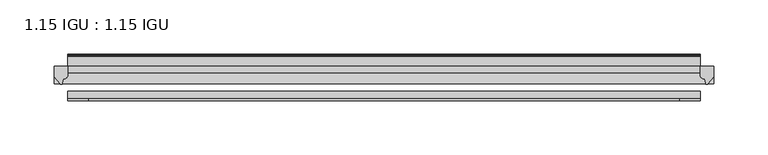
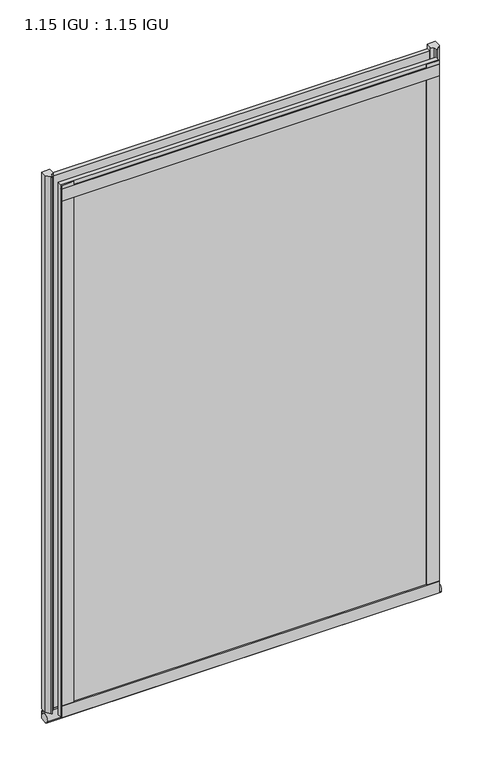
"""IFC4 building model written with IfcOpenShell, lengths in millimetres: plate geometry, 1.15 IGU : 1.15 IGU."""

import ifcopenshell
import ifcopenshell.guid

model = None  # the IFC model being written
_history = None  # IfcOwnerHistory: only IFC2X3 demands one
_inside = {}  # id of a spatial element -> (the spatial element, [elements in it])
_under = {}  # id of a project, library or spatial element -> (it, [spatial elements below it])
_declared = {}  # id of a project -> (the project, [libraries it declares])
_typed = {}  # id of a type object -> (the type object, [elements of that type])
_made_of = {}  # id of a material, layer set ... -> (it, [elements and type objects made of it])


def new_model(schema):
    """Start an empty IFC model of exactly this schema.

    Asked for "IFC4X3", IfcOpenShell would pick the latest addendum, in which some entities
    have other attributes; the version numbers below select the first issue.
    IFC2X3 requires an IfcOwnerHistory on every rooted entity: one is made here for all.
    """
    global model, _history
    if schema == "IFC4X3":
        model = ifcopenshell.file(schema_version=(4, 3, 0, 0))
    else:
        model = ifcopenshell.file(schema=schema)
    _inside.clear()
    _under.clear()
    _declared.clear()
    _typed.clear()
    _made_of.clear()
    _history = None
    if model.schema == "IFC2X3":
        org = make("IfcOrganization", Name="unknown")
        user = make(
            "IfcPersonAndOrganization",
            ThePerson=make("IfcPerson", FamilyName="unknown"),
            TheOrganization=org,
        )
        app = make(
            "IfcApplication",
            ApplicationDeveloper=org,
            Version="unknown",
            ApplicationFullName="unknown",
            ApplicationIdentifier="unknown",
        )
        _history = make(
            "IfcOwnerHistory",
            OwningUser=user,
            OwningApplication=app,
            ChangeAction="ADDED",
            CreationDate=0,
        )
    return model


def make(cls, **values):
    """One entity of the class cls with the attributes given. An attribute that is None is left unset."""
    return model.create_entity(
        cls, **{name: value for name, value in values.items() if value is not None}
    )


def rooted(cls, **values):
    """An entity with a GlobalId (a new one), such as an element, a storey or a relation."""
    return make(cls, GlobalId=ifcopenshell.guid.new(), OwnerHistory=_history, **values)


def si_unit(unit_type, name, prefix=None):
    """IfcSIUnit, for example si_unit("LENGTHUNIT", "METRE", prefix="MILLI")."""
    return make("IfcSIUnit", UnitType=unit_type, Prefix=prefix, Name=name)


def assignment(units):
    """IfcUnitAssignment: the units of a project."""
    return None if units is None else make("IfcUnitAssignment", Units=units)


def point(xyz):
    """IfcCartesianPoint."""
    return None if xyz is None else make("IfcCartesianPoint", Coordinates=xyz)


def direction(xyz):
    """IfcDirection."""
    return None if xyz is None else make("IfcDirection", DirectionRatios=xyz)


def frame(location, z_axis=None, x_axis=None):
    """IfcAxis2Placement3D, a coordinate frame: its origin and axes. An axis left out is left unset."""
    return make(
        "IfcAxis2Placement3D",
        Location=point(location),
        Axis=direction(z_axis),
        RefDirection=direction(x_axis),
    )


def frame_2d(location, x_axis=None):
    """IfcAxis2Placement2D, a coordinate frame in the plane: its origin and x axis."""
    return make(
        "IfcAxis2Placement2D", Location=point(location), RefDirection=direction(x_axis)
    )


def origin():
    """The frame at (0, 0, 0) with its axes left unset."""
    return frame((0.0, 0.0, 0.0))


def place(relative_to, where):
    """IfcLocalPlacement: puts the frame where relative to a parent placement (None: the world)."""
    return make(
        "IfcLocalPlacement", PlacementRelTo=relative_to, RelativePlacement=where
    )


def context(
    kind, dimensions, precision=None, world=None, true_north=None, identifier=None
):
    """IfcGeometricRepresentationContext, for example the 3D "Model" context."""
    return make(
        "IfcGeometricRepresentationContext",
        ContextIdentifier=identifier,
        ContextType=kind,
        CoordinateSpaceDimension=dimensions,
        Precision=precision,
        WorldCoordinateSystem=world,
        TrueNorth=true_north,
    )


def project(units=None, contexts=None):
    """IfcProject with its units and contexts."""
    return rooted(
        "IfcProject",
        Name="project",
        RepresentationContexts=contexts,
        UnitsInContext=assignment(units),
    )


def spatial(cls, under=None, at=None, **own):
    """A site, building, storey or space (cls), placed at a placement, below another one or the project."""
    s = rooted(cls, ObjectPlacement=at, **own)
    if under is not None:
        _under.setdefault(under.id(), (under, []))[1].append(s)
    return s


def polyline(points):
    """IfcPolyline through the points."""
    return make("IfcPolyline", Points=[point(p) for p in points])


def circle_curve(where, radius):
    """IfcCircle in the frame where."""
    return make("IfcCircle", Position=where, Radius=radius)


def ellipse_curve(where, semi_axis1, semi_axis2):
    """IfcEllipse in the frame where."""
    return make(
        "IfcEllipse", Position=where, SemiAxis1=semi_axis1, SemiAxis2=semi_axis2
    )


def trimmed(basis, trim1, trim2, sense, master):
    """IfcTrimmedCurve: the piece of a basis curve between two trims."""
    return make(
        "IfcTrimmedCurve",
        BasisCurve=basis,
        Trim1=trim1,
        Trim2=trim2,
        SenseAgreement=sense,
        MasterRepresentation=master,
    )


def segment(curve, same_sense, transition):
    """IfcCompositeCurveSegment."""
    return make(
        "IfcCompositeCurveSegment",
        Transition=transition,
        SameSense=same_sense,
        ParentCurve=curve,
    )


def composite_curve(segments, self_intersect=None):
    """IfcCompositeCurve: segments joined end to end."""
    return make("IfcCompositeCurve", Segments=segments, SelfIntersect=self_intersect)


def outline(outer, holes=None, kind="AREA"):
    """IfcArbitraryClosedProfileDef: a profile drawn as a closed curve; with holes, ...WithVoids."""
    if holes is None:
        return make("IfcArbitraryClosedProfileDef", ProfileType=kind, OuterCurve=outer)
    return make(
        "IfcArbitraryProfileDefWithVoids",
        ProfileType=kind,
        OuterCurve=outer,
        InnerCurves=holes,
    )


def extrude(swept, where, along, depth):
    """IfcExtrudedAreaSolid: the profile swept, set in the frame where, extruded along a direction by depth."""
    return make(
        "IfcExtrudedAreaSolid",
        SweptArea=swept,
        Position=where,
        ExtrudedDirection=direction(along),
        Depth=depth,
    )


def shape(context_of_items, identifier, shape_type, items):
    """IfcShapeRepresentation: the items that make up one representation, for example the "Body"."""
    return make(
        "IfcShapeRepresentation",
        ContextOfItems=context_of_items,
        RepresentationIdentifier=identifier,
        RepresentationType=shape_type,
        Items=items,
    )


def source(mapping_origin, context_of_items, identifier, shape_type, items):
    """IfcRepresentationMap: a shape defined once, which mapped items show again and again."""
    return make(
        "IfcRepresentationMap",
        MappingOrigin=mapping_origin,
        MappedRepresentation=shape(context_of_items, identifier, shape_type, items),
    )


def transform(
    local_origin,
    x_axis=None,
    y_axis=None,
    z_axis=None,
    scale=None,
    scale2=None,
    scale3=None,
    uniform=True,
):
    """IfcCartesianTransformationOperator3D, or its non-uniform kind. x_axis, y_axis, z_axis: its Axis1, 2, 3."""
    if uniform:
        return make(
            "IfcCartesianTransformationOperator3D",
            Axis1=direction(x_axis),
            Axis2=direction(y_axis),
            LocalOrigin=point(local_origin),
            Scale=scale,
            Axis3=direction(z_axis),
        )
    return make(
        "IfcCartesianTransformationOperator3DnonUniform",
        Axis1=direction(x_axis),
        Axis2=direction(y_axis),
        LocalOrigin=point(local_origin),
        Scale=scale,
        Axis3=direction(z_axis),
        Scale2=scale2,
        Scale3=scale3,
    )


def mapped(mapping_source, mapping_target):
    """IfcMappedItem: shows the shape of a source again, moved by a transform."""
    return make(
        "IfcMappedItem", MappingSource=mapping_source, MappingTarget=mapping_target
    )


def made_of(thing, what):
    """Note that an element or type object is made of a material, layer set ...; save() writes the relation."""
    if what is not None:
        _made_of.setdefault(what.id(), (what, []))[1].append(thing)
    return thing


def element(
    cls,
    number,
    at=None,
    inside=None,
    cuts=None,
    type_object=None,
    material=None,
    context=None,
    identifier="Body",
    shape_type=None,
    held_by="IfcProductDefinitionShape",
    body=None,
    shapes=None,
    **own,
):
    """One element of the class cls, such as IfcWall. Its Tag is "e" and its number.

    at: its placement. inside: the storey or other place that contains it. cuts: it is an
    opening in that element (IfcRelVoidsElement). A single representation is given by context,
    identifier, shape_type and body (its items); several are given by shapes. held_by: the class
    of the entity that holds the representations. save() writes the other relations.
    """
    e = rooted(cls, Tag="e%d" % number, ObjectPlacement=at, **own)
    if body is not None:
        shapes = [shape(context, identifier, shape_type, body)]
    if shapes is not None:
        e.Representation = make(held_by, Representations=shapes)
    if inside is not None:
        _inside.setdefault(inside.id(), (inside, []))[1].append(e)
    if cuts is not None:
        rooted(
            "IfcRelVoidsElement", RelatingBuildingElement=cuts, RelatedOpeningElement=e
        )
    if type_object is not None:
        _typed.setdefault(type_object.id(), (type_object, []))[1].append(e)
    return made_of(e, material)


def aggregate(whole, parts):
    """IfcRelAggregates: a whole, such as a stair, and the parts it consists of."""
    return rooted("IfcRelAggregates", RelatingObject=whole, RelatedObjects=parts)


def save(model, path):
    """Write the relations noted so far, then the file.

    IfcRelAggregates (storeys below a building ...), IfcRelContainedInSpatialStructure (elements
    in a storey), IfcRelDefinesByType, IfcRelAssociatesMaterial and IfcRelDeclares: one each for
    every whole, place, type object, material and project.
    """
    for whole, parts in _under.values():
        aggregate(whole, parts)
    for where, things in _inside.values():
        rooted(
            "IfcRelContainedInSpatialStructure",
            RelatedElements=things,
            RelatingStructure=where,
        )
    for kind, things in _typed.values():
        rooted("IfcRelDefinesByType", RelatedObjects=things, RelatingType=kind)
    for what, things in _made_of.values():
        rooted("IfcRelAssociatesMaterial", RelatedObjects=things, RelatingMaterial=what)
    for by, libraries in _declared.values():
        rooted("IfcRelDeclares", RelatingContext=by, RelatedDefinitions=libraries)
    model.write(path)


def plane_surface(at):
    """IfcPlane: the flat surface through the origin of the frame at, square to its z axis."""
    return make("IfcPlane", Position=at)


def revolved_surface(curve, axis_point, axis_direction):
    """IfcSurfaceOfRevolution: the curve turned about the line through axis_point along axis_direction."""
    return make(
        "IfcSurfaceOfRevolution",
        SweptCurve=make("IfcArbitraryOpenProfileDef", ProfileType="CURVE", Curve=curve),
        AxisPosition=make("IfcAxis1Placement", Location=point(axis_point), Axis=direction(axis_direction)),
    )


def extruded_surface(curve, direction_of_extrusion, depth):
    """IfcSurfaceOfLinearExtrusion: the curve pushed along a direction by depth."""
    return make(
        "IfcSurfaceOfLinearExtrusion",
        SweptCurve=make("IfcArbitraryOpenProfileDef", ProfileType="CURVE", Curve=curve),
        ExtrudedDirection=direction(direction_of_extrusion),
        Depth=depth,
    )


def advanced_brep(points, edges, surfaces, faces):
    """IfcAdvancedBrep: a solid bounded by faces that lie on surfaces and meet in shared edges.

    An edge is (start, end): straight between two places in points (the first is 0);
    or (start, end, curve); or (start, end, curve, False) where it runs against its curve.
    A face is (place in surfaces, loops), or (place, loops, False) where it looks against
    its surface's normal. A loop lists edges by number (the first is 1), with a minus sign
    where the edge is run from its end to its start. The first loop is the outer one.
    """
    corners = [point(p) for p in points]
    vertices = [make("IfcVertexPoint", VertexGeometry=c) for c in corners]
    made = []
    for start, end, *more in edges:
        made.append(
            make(
                "IfcEdgeCurve",
                EdgeStart=vertices[start],
                EdgeEnd=vertices[end],
                EdgeGeometry=more[0] if more else make("IfcPolyline", Points=[corners[start], corners[end]]),
                SameSense=more[1] if len(more) > 1 else True,
            )
        )
    hull = []
    for where, loops, *sense in faces:
        bounds = []
        for j, loop in enumerate(loops):
            ring = [make("IfcOrientedEdge", EdgeElement=made[abs(k) - 1], Orientation=k > 0) for k in loop]
            bounds.append(
                make(
                    "IfcFaceOuterBound" if j == 0 else "IfcFaceBound",
                    Bound=make("IfcEdgeLoop", EdgeList=ring),
                    Orientation=True,
                )
            )
        hull.append(make("IfcAdvancedFace", Bounds=bounds, FaceSurface=surfaces[where], SameSense=sense[0] if sense else True))
    return make("IfcAdvancedBrep", Outer=make("IfcClosedShell", CfsFaces=hull))


def plate_1_15_igu_1_15_igu_f6fabfdf(model_context):
    return source(origin(), model_context, "Body", "SolidModel", [
        extrude(outline(polyline([(292.1, 0.0), (292.1, -6.2992), (-292.1, -6.2992), (-292.1, 0.0), (292.1, 0.0)])), frame((0.0, 0.0, -19.05), z_axis=(0.0, 0.0, 1.0), x_axis=(1.0, 0.0, 0.0)), (0.0, 0.0, 1.0), 869.9368072),
        extrude(outline(polyline([(-292.1, -23.1648), (292.1, -23.1648), (292.1, -29.464), (-292.1, -29.464), (-292.1, -23.1648)])), frame((0.0, 0.0, -19.05), z_axis=(0.0, 0.0, 1.0), x_axis=(1.0, 0.0, 0.0)), (0.0, 0.0, 1.0), 869.9368072),
        advanced_brep(
        [(304.8, -2.9334208, -29.3692082), (304.8, -15.7658436, -30.8313288), (304.8, -6.7904952, -34.925), (304.8, 0.0, -34.925), (304.8, 0.0, -22.225), (304.8, -2.5187477, -22.225), (-304.8, -2.9073519, -29.3720514), (-304.8, -2.5187477, -22.225), (-304.8, 0.0, -22.225), (-304.8, 0.0, -34.925), (-304.8, -6.7904952, -34.925), (-304.8, -15.7658436, -30.8313288)],
        [
            (0, 1, ellipse_curve(frame((304.8, -9.5065066, -28.575), z_axis=(1.0, 0.0, 0.0), x_axis=(0.0, 0.0, -1.0)), 6.9638038, 6.6162554)),
            (1, 2, ellipse_curve(frame((304.8, -9.5065066, -28.575), z_axis=(1.0, 0.0, 0.0), x_axis=(0.0, 0.0, -1.0)), 6.9638038, 6.6162554)),
            (2, 3),
            (3, 4, circle_curve(frame((304.8, 24.1576838, -28.575), z_axis=(-1.0, 0.0, 0.0), x_axis=(0.0, 0.0, 1.0)), 24.9783143)),
            (4, 5),
            (5, 0, circle_curve(frame((304.8, -68.4358767, -22.225), z_axis=(-1.0, 0.0, 0.0), x_axis=(0.0, 0.0, 1.0)), 65.917129)),
            (6, 7, circle_curve(frame((-304.8, -68.4358767, -22.225), z_axis=(1.0, 0.0, 0.0), x_axis=(0.0, 0.0, 1.0)), 65.917129)),
            (7, 8),
            (8, 9, circle_curve(frame((-304.8, 24.1576838, -28.575), z_axis=(1.0, 0.0, 0.0), x_axis=(0.0, 0.0, 1.0)), 24.9783143)),
            (9, 10),
            (10, 11, ellipse_curve(frame((-304.8, -9.5065066, -28.575), z_axis=(-1.0, 0.0, 0.0), x_axis=(0.0, 0.0, -1.0)), 6.9638038, 6.6162554)),
            (11, 6, ellipse_curve(frame((-304.8, -9.5065066, -28.575), z_axis=(-1.0, 0.0, 0.0), x_axis=(0.0, 0.0, -1.0)), 6.9638038, 6.6162554)),
            (0, 6),
            (11, 1),
            (10, 2),
            (9, 3),
            (8, 4),
            (7, 5),
        ],
        [
            plane_surface(frame((304.8, 0.0, -28.575), z_axis=(1.0, 0.0, 0.0), x_axis=(0.0, 1.0, 0.0))),
            plane_surface(frame((-304.8, 0.0, -28.575), z_axis=(-1.0, 0.0, 0.0), x_axis=(0.0, 1.0, 0.0))),
            extruded_surface(trimmed(ellipse_curve(frame((-304.8, -9.5065066, -28.575), z_axis=(1.0, 0.0, 0.0), x_axis=(0.0, 0.0, -1.0)), 6.9638038, 6.6162554), [point((-304.8, -2.9334208, -29.3692082))], [point((-304.8, -15.7658436, -30.8313288))], True, "CARTESIAN"), (609.6, 0.0, 0.0), 609.6),
            extruded_surface(trimmed(ellipse_curve(frame((-304.8, -9.5065066, -28.575), z_axis=(1.0, 0.0, 0.0), x_axis=(0.0, 0.0, -1.0)), 6.9638038, 6.6162554), [point((-304.8, -15.7658436, -30.8313288))], [point((-304.8, -6.7904952, -34.925))], True, "CARTESIAN"), (609.6, 0.0, 0.0), 609.6),
            plane_surface(frame((304.8, -6.7904952, -34.925), z_axis=(0.0, 0.0, -1.0), x_axis=(-1.0, 0.0, 0.0))),
            revolved_surface(polyline([(-304.8, 24.1576838, -3.5966856999999983), (304.8, 24.1576838, -3.5966856999999983)]), (304.8, 24.1576838, -28.575), (-1.0, 0.0, 0.0)),
            plane_surface(frame((304.8, 0.0, -22.225), z_axis=(0.0, 0.0, 1.0), x_axis=(-1.0, 0.0, 0.0))),
            revolved_surface(polyline([(-304.8, -68.4358767, 43.692129), (304.8, -68.4358767, 43.692129)]), (304.8, -68.4358767, -22.225), (-1.0, 0.0, 0.0)),
        ],
        [
            (0, [[1, 2, 3, 4, 5, 6]]),
            (1, [[7, 8, 9, 10, 11, 12]]),
            (2, [[-1, 13, -12, 14]]),
            (3, [[-2, -14, -11, 15]]),
            (4, [[-3, -15, -10, 16]]),
            (5, [[-4, -16, -9, 17]]),
            (6, [[-5, -17, -8, 18]]),
            (7, [[-6, -18, -7, -13]]),
        ],
    ),
        extrude(outline(composite_curve([segment(polyline([(304.8, 0.0), (304.8, -9.7395025), (299.2337691, -16.3730781)]), True, "CONTINUOUS"), segment(trimmed(circle_curve(frame_2d((298.2800941, -15.7728374)), 1.1268473), [point((299.2337691, -16.3730781))], [point((297.1791412, -16.0130197))], False, "CARTESIAN"), True, "CONTINUOUS"), segment(polyline([(297.1791412, -16.0130197), (296.1989498, -11.7377885)]), True, "CONTINUOUS"), segment(trimmed(circle_curve(frame_2d((296.0714979, -7.7683362)), 3.9714979), [point((296.1989498, -11.7377885))], [point((292.1001786, -7.8060014))], False, "CARTESIAN"), True, "CONTINUOUS"), segment(polyline([(292.1001786, -7.8060014), (292.1001786, 0.0), (304.8, 0.0)]), True, "CONTINUOUS")], self_intersect=False)), frame((0.0, 0.0, -19.05), z_axis=(0.0, 0.0, 1.0), x_axis=(1.0, 0.0, 0.0)), (0.0, 0.0, 1.0), 877.0742072),
        extrude(outline(composite_curve([segment(polyline([(-292.1, 8.8e-06), (-292.1, -7.7683362)]), True, "CONTINUOUS"), segment(trimmed(circle_curve(frame_2d((-296.0714979, -7.7683362)), 3.9714979), [point((-292.1, -7.7683362))], [point((-296.1989498, -11.7377885))], False, "CARTESIAN"), True, "CONTINUOUS"), segment(polyline([(-296.1989498, -11.7377885), (-297.1789843, -16.012436)]), True, "CONTINUOUS"), segment(trimmed(circle_curve(frame_2d((-298.2801933, -15.7723555)), 1.1270758), [point((-297.1789843, -16.012436))], [point((-299.2340327, -16.372764))], False, "CARTESIAN"), True, "CONTINUOUS"), segment(polyline([(-299.2340327, -16.372764), (-304.8, -9.7395025), (-304.8, 8.8e-06), (-292.1, 8.8e-06)]), True, "CONTINUOUS")], self_intersect=False)), frame((0.0, 0.0, -19.05), z_axis=(0.0, 0.0, 1.0), x_axis=(1.0, 0.0, 0.0)), (0.0, 0.0, 1.0), 877.0742072),
        extrude(outline(polyline([(-292.1, -31.75), (-292.1, -29.464), (292.1, -29.464), (292.1, -31.75), (-292.1, -31.75)])), frame((0.0, 0.0, -19.05), z_axis=(0.0, 0.0, 1.0), x_axis=(1.0, 0.0, 0.0)), (0.0, 0.0, 1.0), 19.05),
        extrude(outline(composite_curve([segment(polyline([(8.509, 840.7300284), (8.509, 838.6980284), (6.35, 838.6980284), (6.35, 833.3640284), (8.9492698, 833.3640284)]), True, "CONTINUOUS"), segment(trimmed(circle_curve(frame_2d((8.208689, 831.8368072)), 1.697311), [point((8.9492698, 833.3640284))], [point((8.962411, 830.3160284))], False, "CARTESIAN"), True, "CONTINUOUS"), segment(polyline([(8.962411, 830.3160284), (6.35, 830.3160284), (6.35, 825.4868072), (11.1252, 825.4868072), (11.1252, 824.5978072)]), True, "CONTINUOUS"), segment(trimmed(circle_curve(frame_2d((10.1092, 824.5978072)), 1.016), [point((11.1252, 824.5978072))], [point((10.1092, 823.5818072))], False, "CARTESIAN"), True, "CONTINUOUS"), segment(trimmed(circle_curve(frame_2d((10.1092, 804.1707318)), 19.4110754), [point((10.1092, 823.5818072))], [point((0.0, 820.7416075))], True, "CARTESIAN"), True, "CONTINUOUS"), segment(polyline([(0.0, 820.7416075), (0.0, 840.7300284), (8.509, 840.7300284)]), True, "CONTINUOUS")], self_intersect=False)), frame((-292.1, 0.0, 0.0), z_axis=(1.0, 0.0, 0.0), x_axis=(0.0, 1.0, 0.0)), (0.0, 0.0, 1.0), 584.2),
        extrude(outline(polyline([(-292.1, -31.75), (-292.1, -29.464), (292.1, -29.464), (292.1, -31.75), (-292.1, -31.75)])), frame((0.0, 0.0, 825.4868072), z_axis=(0.0, 0.0, 1.0), x_axis=(1.0, 0.0, 0.0)), (0.0, 0.0, 1.0), 19.05),
        extrude(outline(polyline([(273.05, -29.464), (292.1, -29.464), (292.1, -31.75), (273.05, -31.75), (273.05, -29.464)])), frame((0.0, 0.0, -19.05), z_axis=(0.0, 0.0, 1.0), x_axis=(1.0, 0.0, 0.0)), (0.0, 0.0, 1.0), 869.9368072),
        extrude(outline(polyline([(-292.1, -31.75), (-292.1, -29.464), (-273.05, -29.464), (-273.05, -31.75), (-292.1, -31.75)])), frame((0.0, 0.0, -19.05), z_axis=(0.0, 0.0, 1.0), x_axis=(1.0, 0.0, 0.0)), (0.0, 0.0, 1.0), 869.9368072),
    ])


if __name__ == "__main__":
    model = new_model("IFC4")
    model_context = context("Model", 3, world=origin())
    ifc_project = project(units=[si_unit("LENGTHUNIT", "METRE", prefix="MILLI")], contexts=[model_context])
    site = spatial("IfcSite", under=ifc_project)
    building = spatial("IfcBuilding", under=site)
    placement = place(None, origin())
    plate_1_15_igu_1_15_igu_shape = plate_1_15_igu_1_15_igu_f6fabfdf(model_context)
    element("IfcPlate", 1, ObjectType="1.15 IGU : 1.15 IGU", at=placement, inside=building, context=model_context, shape_type="MappedRepresentation", body=[
        mapped(plate_1_15_igu_1_15_igu_shape, transform((0.0, 0.0, 0.0), x_axis=(1.0, 0.0, 0.0), y_axis=(0.0, 1.0, 0.0), z_axis=(0.0, 0.0, 1.0))),
    ])
    save(model, "model.ifc")
